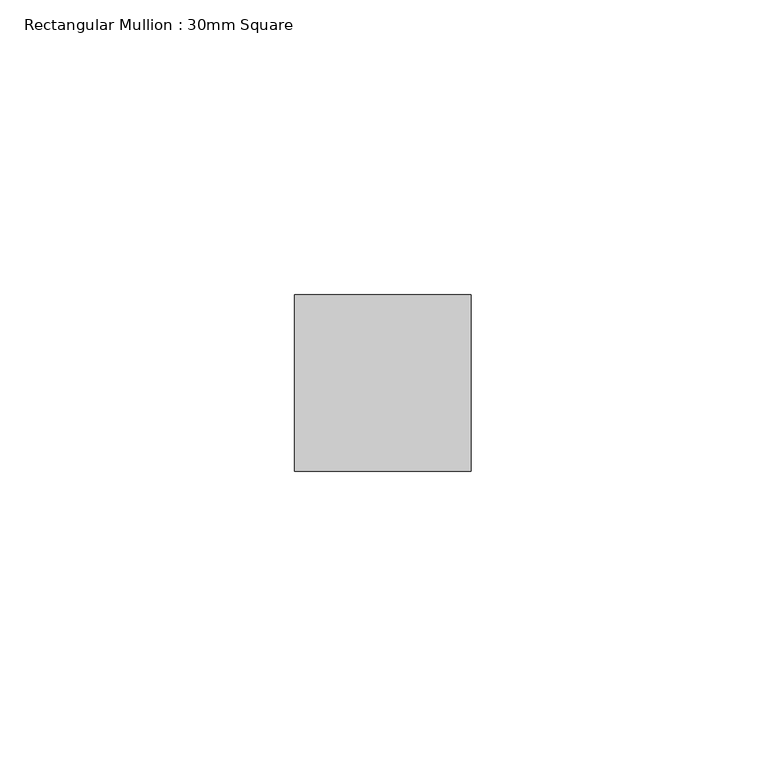
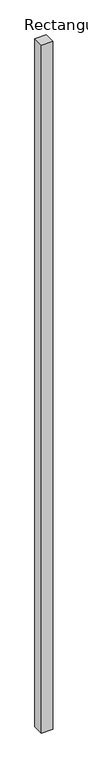
"""IFC4 building model written with IfcOpenShell, lengths in millimetres: member geometry, Rectangular Mullion : 30mm Square."""

from ifc_helpers import new_model, si_unit, frame, origin, place, context, project, spatial, polyline, outline, extrude, source, transform, mapped, element, save


def rectangular_mullion_30mm_square_8513937f(model_context):
    return source(origin(), model_context, "Body", "SweptSolid", [
        extrude(outline(polyline([(0.0, 15.0), (0.0, -15.0), (-30.0, -15.0), (-30.0, 15.0), (0.0, 15.0)])), frame((0.0, 0.0, -1940.3411693), z_axis=(0.0, 0.0, 1.0), x_axis=(1.0, 0.0, 0.0)), (0.0, 0.0, 1.0), 1940.3411693),
    ])


if __name__ == "__main__":
    model = new_model("IFC4")
    model_context = context("Model", 3, world=origin())
    ifc_project = project(units=[si_unit("LENGTHUNIT", "METRE", prefix="MILLI")], contexts=[model_context])
    site = spatial("IfcSite", under=ifc_project)
    building = spatial("IfcBuilding", under=site)
    placement = place(None, origin())
    rectangular_mullion_30mm_square_shape = rectangular_mullion_30mm_square_8513937f(model_context)
    element("IfcMember", 1, ObjectType="Rectangular Mullion : 30mm Square", at=placement, inside=building, context=model_context, shape_type="MappedRepresentation", body=[
        mapped(rectangular_mullion_30mm_square_shape, transform((0.0, 0.0, 0.0), x_axis=(1.0, 0.0, 0.0), y_axis=(0.0, 1.0, 0.0), z_axis=(0.0, 0.0, 1.0))),
    ])
    save(model, "model.ifc")
